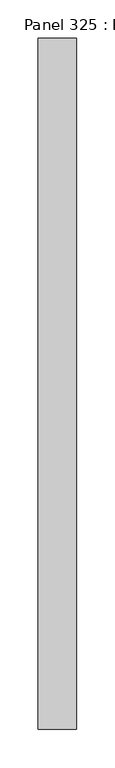
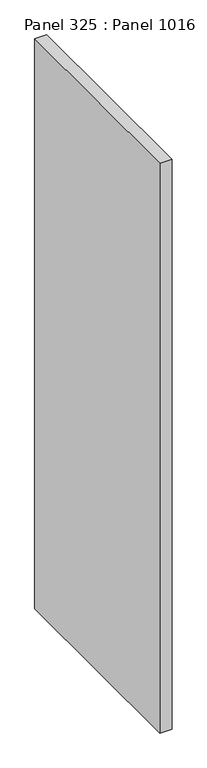
"""IFC4 building model written with IfcOpenShell, lengths in millimetres: proxy geometry, Panel 325 : Panel 1016."""

import ifcopenshell
import ifcopenshell.guid

model = None  # the IFC model being written
_history = None  # IfcOwnerHistory: only IFC2X3 demands one
_inside = {}  # id of a spatial element -> (the spatial element, [elements in it])
_under = {}  # id of a project, library or spatial element -> (it, [spatial elements below it])
_declared = {}  # id of a project -> (the project, [libraries it declares])
_typed = {}  # id of a type object -> (the type object, [elements of that type])
_made_of = {}  # id of a material, layer set ... -> (it, [elements and type objects made of it])


def new_model(schema):
    """Start an empty IFC model of exactly this schema.

    Asked for "IFC4X3", IfcOpenShell would pick the latest addendum, in which some entities
    have other attributes; the version numbers below select the first issue.
    IFC2X3 requires an IfcOwnerHistory on every rooted entity: one is made here for all.
    """
    global model, _history
    if schema == "IFC4X3":
        model = ifcopenshell.file(schema_version=(4, 3, 0, 0))
    else:
        model = ifcopenshell.file(schema=schema)
    _inside.clear()
    _under.clear()
    _declared.clear()
    _typed.clear()
    _made_of.clear()
    _history = None
    if model.schema == "IFC2X3":
        org = make("IfcOrganization", Name="unknown")
        user = make(
            "IfcPersonAndOrganization",
            ThePerson=make("IfcPerson", FamilyName="unknown"),
            TheOrganization=org,
        )
        app = make(
            "IfcApplication",
            ApplicationDeveloper=org,
            Version="unknown",
            ApplicationFullName="unknown",
            ApplicationIdentifier="unknown",
        )
        _history = make(
            "IfcOwnerHistory",
            OwningUser=user,
            OwningApplication=app,
            ChangeAction="ADDED",
            CreationDate=0,
        )
    return model


def make(cls, **values):
    """One entity of the class cls with the attributes given. An attribute that is None is left unset."""
    return model.create_entity(
        cls, **{name: value for name, value in values.items() if value is not None}
    )


def rooted(cls, **values):
    """An entity with a GlobalId (a new one), such as an element, a storey or a relation."""
    return make(cls, GlobalId=ifcopenshell.guid.new(), OwnerHistory=_history, **values)


def si_unit(unit_type, name, prefix=None):
    """IfcSIUnit, for example si_unit("LENGTHUNIT", "METRE", prefix="MILLI")."""
    return make("IfcSIUnit", UnitType=unit_type, Prefix=prefix, Name=name)


def assignment(units):
    """IfcUnitAssignment: the units of a project."""
    return None if units is None else make("IfcUnitAssignment", Units=units)


def point(xyz):
    """IfcCartesianPoint."""
    return None if xyz is None else make("IfcCartesianPoint", Coordinates=xyz)


def direction(xyz):
    """IfcDirection."""
    return None if xyz is None else make("IfcDirection", DirectionRatios=xyz)


def frame(location, z_axis=None, x_axis=None):
    """IfcAxis2Placement3D, a coordinate frame: its origin and axes. An axis left out is left unset."""
    return make(
        "IfcAxis2Placement3D",
        Location=point(location),
        Axis=direction(z_axis),
        RefDirection=direction(x_axis),
    )


def origin():
    """The frame at (0, 0, 0) with its axes left unset."""
    return frame((0.0, 0.0, 0.0))


def place(relative_to, where):
    """IfcLocalPlacement: puts the frame where relative to a parent placement (None: the world)."""
    return make(
        "IfcLocalPlacement", PlacementRelTo=relative_to, RelativePlacement=where
    )


def context(
    kind, dimensions, precision=None, world=None, true_north=None, identifier=None
):
    """IfcGeometricRepresentationContext, for example the 3D "Model" context."""
    return make(
        "IfcGeometricRepresentationContext",
        ContextIdentifier=identifier,
        ContextType=kind,
        CoordinateSpaceDimension=dimensions,
        Precision=precision,
        WorldCoordinateSystem=world,
        TrueNorth=true_north,
    )


def project(units=None, contexts=None):
    """IfcProject with its units and contexts."""
    return rooted(
        "IfcProject",
        Name="project",
        RepresentationContexts=contexts,
        UnitsInContext=assignment(units),
    )


def spatial(cls, under=None, at=None, **own):
    """A site, building, storey or space (cls), placed at a placement, below another one or the project."""
    s = rooted(cls, ObjectPlacement=at, **own)
    if under is not None:
        _under.setdefault(under.id(), (under, []))[1].append(s)
    return s


def polyline(points):
    """IfcPolyline through the points."""
    return make("IfcPolyline", Points=[point(p) for p in points])


def outline(outer, holes=None, kind="AREA"):
    """IfcArbitraryClosedProfileDef: a profile drawn as a closed curve; with holes, ...WithVoids."""
    if holes is None:
        return make("IfcArbitraryClosedProfileDef", ProfileType=kind, OuterCurve=outer)
    return make(
        "IfcArbitraryProfileDefWithVoids",
        ProfileType=kind,
        OuterCurve=outer,
        InnerCurves=holes,
    )


def extrude(swept, where, along, depth):
    """IfcExtrudedAreaSolid: the profile swept, set in the frame where, extruded along a direction by depth."""
    return make(
        "IfcExtrudedAreaSolid",
        SweptArea=swept,
        Position=where,
        ExtrudedDirection=direction(along),
        Depth=depth,
    )


def shape(context_of_items, identifier, shape_type, items):
    """IfcShapeRepresentation: the items that make up one representation, for example the "Body"."""
    return make(
        "IfcShapeRepresentation",
        ContextOfItems=context_of_items,
        RepresentationIdentifier=identifier,
        RepresentationType=shape_type,
        Items=items,
    )


def source(mapping_origin, context_of_items, identifier, shape_type, items):
    """IfcRepresentationMap: a shape defined once, which mapped items show again and again."""
    return make(
        "IfcRepresentationMap",
        MappingOrigin=mapping_origin,
        MappedRepresentation=shape(context_of_items, identifier, shape_type, items),
    )


def transform(
    local_origin,
    x_axis=None,
    y_axis=None,
    z_axis=None,
    scale=None,
    scale2=None,
    scale3=None,
    uniform=True,
):
    """IfcCartesianTransformationOperator3D, or its non-uniform kind. x_axis, y_axis, z_axis: its Axis1, 2, 3."""
    if uniform:
        return make(
            "IfcCartesianTransformationOperator3D",
            Axis1=direction(x_axis),
            Axis2=direction(y_axis),
            LocalOrigin=point(local_origin),
            Scale=scale,
            Axis3=direction(z_axis),
        )
    return make(
        "IfcCartesianTransformationOperator3DnonUniform",
        Axis1=direction(x_axis),
        Axis2=direction(y_axis),
        LocalOrigin=point(local_origin),
        Scale=scale,
        Axis3=direction(z_axis),
        Scale2=scale2,
        Scale3=scale3,
    )


def mapped(mapping_source, mapping_target):
    """IfcMappedItem: shows the shape of a source again, moved by a transform."""
    return make(
        "IfcMappedItem", MappingSource=mapping_source, MappingTarget=mapping_target
    )


def made_of(thing, what):
    """Note that an element or type object is made of a material, layer set ...; save() writes the relation."""
    if what is not None:
        _made_of.setdefault(what.id(), (what, []))[1].append(thing)
    return thing


def element(
    cls,
    number,
    at=None,
    inside=None,
    cuts=None,
    type_object=None,
    material=None,
    context=None,
    identifier="Body",
    shape_type=None,
    held_by="IfcProductDefinitionShape",
    body=None,
    shapes=None,
    **own,
):
    """One element of the class cls, such as IfcWall. Its Tag is "e" and its number.

    at: its placement. inside: the storey or other place that contains it. cuts: it is an
    opening in that element (IfcRelVoidsElement). A single representation is given by context,
    identifier, shape_type and body (its items); several are given by shapes. held_by: the class
    of the entity that holds the representations. save() writes the other relations.
    """
    e = rooted(cls, Tag="e%d" % number, ObjectPlacement=at, **own)
    if body is not None:
        shapes = [shape(context, identifier, shape_type, body)]
    if shapes is not None:
        e.Representation = make(held_by, Representations=shapes)
    if inside is not None:
        _inside.setdefault(inside.id(), (inside, []))[1].append(e)
    if cuts is not None:
        rooted(
            "IfcRelVoidsElement", RelatingBuildingElement=cuts, RelatedOpeningElement=e
        )
    if type_object is not None:
        _typed.setdefault(type_object.id(), (type_object, []))[1].append(e)
    return made_of(e, material)


def aggregate(whole, parts):
    """IfcRelAggregates: a whole, such as a stair, and the parts it consists of."""
    return rooted("IfcRelAggregates", RelatingObject=whole, RelatedObjects=parts)


def save(model, path):
    """Write the relations noted so far, then the file.

    IfcRelAggregates (storeys below a building ...), IfcRelContainedInSpatialStructure (elements
    in a storey), IfcRelDefinesByType, IfcRelAssociatesMaterial and IfcRelDeclares: one each for
    every whole, place, type object, material and project.
    """
    for whole, parts in _under.values():
        aggregate(whole, parts)
    for where, things in _inside.values():
        rooted(
            "IfcRelContainedInSpatialStructure",
            RelatedElements=things,
            RelatingStructure=where,
        )
    for kind, things in _typed.values():
        rooted("IfcRelDefinesByType", RelatedObjects=things, RelatingType=kind)
    for what, things in _made_of.values():
        rooted("IfcRelAssociatesMaterial", RelatedObjects=things, RelatingMaterial=what)
    for by, libraries in _declared.values():
        rooted("IfcRelDeclares", RelatingContext=by, RelatedDefinitions=libraries)
    model.write(path)


def panel_325_panel_1016_de837746(model_context):
    return source(origin(), model_context, "Body", "SweptSolid", [
        extrude(outline(polyline([(39817.4760299, 342505.7854599), (39767.4759878, 342505.7854595), (39767.4760201, 343405.7857353), (39817.4760623, 343405.7857357), (39817.4760299, 342505.7854599)])), frame((0.0, 0.0, 34575.0), z_axis=(0.0, 0.0, 1.0), x_axis=(1.0, 0.0, 0.0)), (0.0, 0.0, 1.0), 2500.0),
    ])


if __name__ == "__main__":
    model = new_model("IFC4")
    model_context = context("Model", 3, world=origin())
    ifc_project = project(units=[si_unit("LENGTHUNIT", "METRE", prefix="MILLI")], contexts=[model_context])
    site = spatial("IfcSite", under=ifc_project)
    building = spatial("IfcBuilding", under=site)
    placement = place(None, origin())
    panel_325_panel_1016_shape = panel_325_panel_1016_de837746(model_context)
    element("IfcBuildingElementProxy", 1, Name="Panel 325 : Panel 1016", ObjectType="Panel 325 : Panel 1016", at=placement, inside=building, context=model_context, shape_type="MappedRepresentation", body=[
        mapped(panel_325_panel_1016_shape, transform((0.0, 0.0, 0.0), x_axis=(1.0, 0.0, 0.0), y_axis=(0.0, 1.0, 0.0), z_axis=(0.0, 0.0, 1.0))),
    ])
    save(model, "model.ifc")
